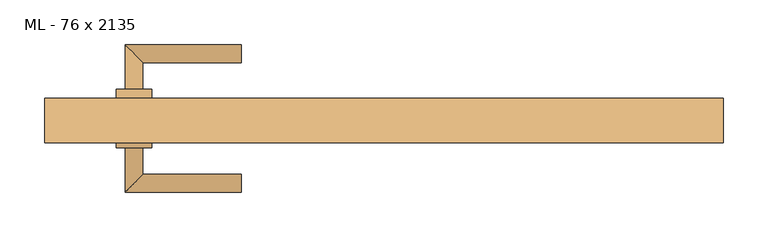
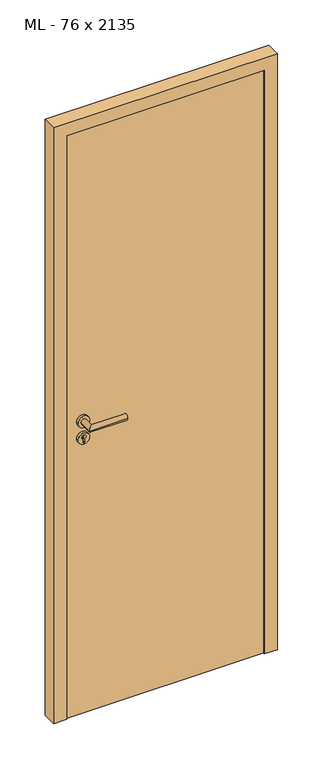
"""IFC4 building model written with IfcOpenShell, lengths in millimetres: door geometry, ML - 76 x 2135."""

from ifc_helpers import new_model, si_unit, point, frame, frame_2d, origin, origin_with_axes, place, context, project, spatial, polyline, circle_curve, ellipse_curve, trimmed, segment, composite_curve, outline, extrude, faceted_brep, source, transform, mapped, element, save
from ifc_brep_helpers import plane_surface, cylinder_surface, advanced_brep


def ml_76_x_2135_d598739a(model_context):
    return source(origin(), model_context, "Body", "SolidModel", [
        extrude(outline(polyline([(346.0, 25.0), (346.0, -20.0), (-346.0, -20.0), (-346.0, 25.0), (346.0, 25.0)])), origin_with_axes(), (0.0, 0.0, 1.0), 2101.0),
        advanced_brep(
        [(-270.0, 35.0, 1050.0), (-290.0, 35.0, 1050.0), (-270.0, 65.0, 1050.0), (-290.0, 85.0, 1050.0), (-160.0, 65.0, 1050.0), (-160.0, 85.0, 1050.0)],
        [
            (0, 1, circle_curve(frame((-280.0, 35.0, 1050.0), z_axis=(0.0, -1.0, 0.0), x_axis=(-1.0, 0.0, 0.0)), 10.0)),
            (1, 0, circle_curve(frame((-280.0, 35.0, 1050.0), z_axis=(0.0, -1.0, 0.0), x_axis=(-1.0, 0.0, 0.0)), 10.0)),
            (0, 2),
            (2, 3, ellipse_curve(frame((-280.0, 75.0, 1050.0), z_axis=(-0.7071067811865531, -0.7071067811865419, 0.0), x_axis=(0.707106781186542, -0.707106781186553, 0.0)), 14.1421356, 10.0)),
            (3, 1),
            (3, 2, ellipse_curve(frame((-280.0, 75.0, 1050.0), z_axis=(-0.7071067811865531, -0.7071067811865419, 0.0), x_axis=(0.707106781186542, -0.707106781186553, 0.0)), 14.1421356, 10.0)),
            (4, 5, circle_curve(frame((-160.0, 75.0, 1050.0), z_axis=(1.0, 0.0, 0.0), x_axis=(0.0, 1.0, 0.0)), 10.0)),
            (5, 4, circle_curve(frame((-160.0, 75.0, 1050.0), z_axis=(1.0, 0.0, 0.0), x_axis=(0.0, 1.0, 0.0)), 10.0)),
            (2, 4),
            (5, 3),
        ],
        [
            plane_surface(frame((-280.0, 35.0, 1050.0), z_axis=(0.0, -1.0, 0.0), x_axis=(0.0, 0.0, 1.0))),
            cylinder_surface(frame((-280.0, 35.0, 1050.0), z_axis=(0.0, -1.0, 0.0), x_axis=(-1.0, 0.0, 0.0)), 10.0),
            plane_surface(frame((-160.0, 75.0, 1050.0), z_axis=(1.0, 0.0, 0.0), x_axis=(0.0, 0.0, 1.0))),
            cylinder_surface(frame((-280.0, 75.0, 1050.0), z_axis=(-1.0, 0.0, 0.0), x_axis=(0.0, 1.0, 0.0)), 10.0),
        ],
        [
            (0, [[1, 2]]),
            (1, [[-1, 3, 4, 5]]),
            (1, [[-2, -5, 6, -3]]),
            (2, [[7, 8]]),
            (3, [[-4, 9, -8, 10]]),
            (3, [[-6, -10, -7, -9]]),
        ],
    ),
        extrude(outline(composite_curve([segment(trimmed(circle_curve(frame_2d((990.0, -280.0)), 20.0), [point((990.0, -300.0))], [point((990.0, -260.0))], False, "CARTESIAN"), True, "CONTINUOUS"), segment(trimmed(circle_curve(frame_2d((990.0, -280.0)), 20.0), [point((990.0, -260.0))], [point((990.0, -300.0))], False, "CARTESIAN"), True, "CONTINUOUS")], self_intersect=False), holes=[composite_curve([segment(polyline([(976.4601385, -282.397268), (988.4749012, -282.397268)]), True, "CONTINUOUS"), segment(trimmed(circle_curve(frame_2d((995.0361633, -280.0)), 6.9854888), [point((988.4749012, -282.397268))], [point((988.4749012, -277.602732))], True, "CARTESIAN"), True, "CONTINUOUS"), segment(polyline([(988.4749012, -277.602732), (976.4601385, -277.602732)]), True, "CONTINUOUS"), segment(trimmed(circle_curve(frame_2d((976.4601385, -280.0)), 2.397268), [point((976.4601385, -277.602732))], [point((976.4601385, -282.397268))], True, "CARTESIAN"), True, "CONTINUOUS")], self_intersect=False)]), frame((0.0, 25.0, 0.0), z_axis=(0.0, 1.0, 0.0), x_axis=(0.0, 0.0, 1.0)), (0.0, 0.0, 1.0), 10.0),
        advanced_brep(
        [(-270.0, 35.0, 1050.0), (-290.0, 35.0, 1050.0), (-270.0, 65.0, 1050.0), (-290.0, 85.0, 1050.0), (-160.0, 65.0, 1050.0), (-160.0, 85.0, 1050.0)],
        [
            (0, 1, circle_curve(frame((-280.0, 35.0, 1050.0), z_axis=(0.0, -1.0, 0.0), x_axis=(-1.0, 0.0, 0.0)), 10.0)),
            (1, 0, circle_curve(frame((-280.0, 35.0, 1050.0), z_axis=(0.0, -1.0, 0.0), x_axis=(-1.0, 0.0, 0.0)), 10.0)),
            (0, 2),
            (2, 3, ellipse_curve(frame((-280.0, 75.0, 1050.0), z_axis=(-0.7071067811865537, -0.7071067811865414, 0.0), x_axis=(0.7071067811865414, -0.7071067811865536, 0.0)), 14.1421356, 10.0)),
            (3, 1),
            (3, 2, ellipse_curve(frame((-280.0, 75.0, 1050.0), z_axis=(-0.7071067811865537, -0.7071067811865414, 0.0), x_axis=(0.7071067811865414, -0.7071067811865536, 0.0)), 14.1421356, 10.0)),
            (4, 5, circle_curve(frame((-160.0, 75.0, 1050.0), z_axis=(1.0, 0.0, 0.0), x_axis=(0.0, 1.0, 0.0)), 10.0)),
            (5, 4, circle_curve(frame((-160.0, 75.0, 1050.0), z_axis=(1.0, 0.0, 0.0), x_axis=(0.0, 1.0, 0.0)), 10.0)),
            (2, 4),
            (5, 3),
        ],
        [
            plane_surface(frame((-280.0, 35.0, 1050.0), z_axis=(0.0, -1.0, 0.0), x_axis=(0.0, 0.0, 1.0))),
            cylinder_surface(frame((-280.0, 35.0, 1050.0), z_axis=(0.0, -1.0, 0.0), x_axis=(-1.0, 0.0, 0.0)), 10.0),
            plane_surface(frame((-160.0, 75.0, 1050.0), z_axis=(1.0, 0.0, 0.0), x_axis=(0.0, 0.0, 1.0))),
            cylinder_surface(frame((-280.0, 75.0, 1050.0), z_axis=(-1.0, 0.0, 0.0), x_axis=(0.0, 1.0, 0.0)), 10.0),
        ],
        [
            (0, [[1, 2]]),
            (1, [[-1, 3, 4, 5]]),
            (1, [[-2, -5, 6, -3]]),
            (2, [[7, 8]]),
            (3, [[-4, 9, -8, 10]]),
            (3, [[-6, -10, -7, -9]]),
        ],
    ),
        extrude(outline(composite_curve([segment(trimmed(circle_curve(frame_2d((1050.0, -280.0)), 20.0), [point((1050.0, -300.0))], [point((1050.0, -260.0))], False, "CARTESIAN"), True, "CONTINUOUS"), segment(trimmed(circle_curve(frame_2d((1050.0, -280.0)), 20.0), [point((1050.0, -260.0))], [point((1050.0, -300.0))], False, "CARTESIAN"), True, "CONTINUOUS")], self_intersect=False)), frame((0.0, 25.0, 0.0), z_axis=(0.0, 1.0, 0.0), x_axis=(0.0, 0.0, 1.0)), (0.0, 0.0, 1.0), 10.0),
        advanced_brep(
        [(-270.0, -30.0, 1050.0), (-290.0, -30.0, 1050.0), (-290.0, -80.0, 1050.0), (-270.0, -60.0, 1050.0), (-160.0, -60.0, 1050.0), (-160.0, -80.0, 1050.0)],
        [
            (0, 1, circle_curve(frame((-280.0, -30.0, 1050.0), z_axis=(0.0, 1.0, 0.0), x_axis=(-1.0, 0.0, 0.0)), 10.0)),
            (1, 0, circle_curve(frame((-280.0, -30.0, 1050.0), z_axis=(0.0, 1.0, 0.0), x_axis=(-1.0, 0.0, 0.0)), 10.0)),
            (1, 2),
            (2, 3, ellipse_curve(frame((-280.0, -70.0, 1050.0), z_axis=(-0.7071067811865486, 0.7071067811865464, 0.0), x_axis=(0.7071067811865464, 0.7071067811865488, 0.0)), 14.1421356, 10.0)),
            (3, 0),
            (3, 2, ellipse_curve(frame((-280.0, -70.0, 1050.0), z_axis=(-0.7071067811865486, 0.7071067811865464, 0.0), x_axis=(0.7071067811865464, 0.7071067811865488, 0.0)), 14.1421356, 10.0)),
            (4, 5, circle_curve(frame((-160.0, -70.0, 1050.0), z_axis=(1.0, 0.0, 0.0), x_axis=(0.0, -1.0, 0.0)), 10.0)),
            (5, 4, circle_curve(frame((-160.0, -70.0, 1050.0), z_axis=(1.0, 0.0, 0.0), x_axis=(0.0, -1.0, 0.0)), 10.0)),
            (2, 5),
            (4, 3),
        ],
        [
            plane_surface(frame((-280.0, -30.0, 1050.0), z_axis=(0.0, 1.0, 0.0), x_axis=(0.0, 0.0, 1.0))),
            cylinder_surface(frame((-280.0, -30.0, 1050.0), z_axis=(0.0, 1.0, 0.0), x_axis=(-1.0, 0.0, 0.0)), 10.0),
            plane_surface(frame((-160.0, -70.0, 1050.0), z_axis=(1.0, 0.0, 0.0), x_axis=(0.0, 0.0, 1.0))),
            cylinder_surface(frame((-280.0, -70.0, 1050.0), z_axis=(-1.0, 0.0, 0.0), x_axis=(0.0, -1.0, 0.0)), 10.0),
        ],
        [
            (0, [[1, 2]]),
            (1, [[3, 4, 5, -2]]),
            (1, [[-5, 6, -3, -1]]),
            (2, [[7, 8]]),
            (3, [[9, -7, 10, -4]]),
            (3, [[-10, -8, -9, -6]]),
        ],
    ),
        extrude(outline(composite_curve([segment(trimmed(circle_curve(frame_2d((990.0, -280.0)), 20.0), [point((990.0, -300.0))], [point((990.0, -260.0))], False, "CARTESIAN"), True, "CONTINUOUS"), segment(trimmed(circle_curve(frame_2d((990.0, -280.0)), 20.0), [point((990.0, -260.0))], [point((990.0, -300.0))], False, "CARTESIAN"), True, "CONTINUOUS")], self_intersect=False), holes=[composite_curve([segment(polyline([(976.4601385, -282.397268), (988.4749012, -282.397268)]), True, "CONTINUOUS"), segment(trimmed(circle_curve(frame_2d((995.0361633, -280.0)), 6.9854888), [point((988.4749012, -282.397268))], [point((988.4749012, -277.602732))], True, "CARTESIAN"), True, "CONTINUOUS"), segment(polyline([(988.4749012, -277.602732), (976.4601385, -277.602732)]), True, "CONTINUOUS"), segment(trimmed(circle_curve(frame_2d((976.4601385, -280.0)), 2.397268), [point((976.4601385, -277.602732))], [point((976.4601385, -282.397268))], True, "CARTESIAN"), True, "CONTINUOUS")], self_intersect=False)]), frame((0.0, -30.0, 0.0), z_axis=(0.0, 1.0, 0.0), x_axis=(0.0, 0.0, 1.0)), (0.0, 0.0, 1.0), 10.0),
        advanced_brep(
        [(-270.0, -30.0, 1050.0), (-290.0, -30.0, 1050.0), (-290.0, -80.0, 1050.0), (-270.0, -60.0, 1050.0), (-160.0, -60.0, 1050.0), (-160.0, -80.0, 1050.0)],
        [
            (0, 1, circle_curve(frame((-280.0, -30.0, 1050.0), z_axis=(0.0, 1.0, 0.0), x_axis=(-1.0, 0.0, 0.0)), 10.0)),
            (1, 0, circle_curve(frame((-280.0, -30.0, 1050.0), z_axis=(0.0, 1.0, 0.0), x_axis=(-1.0, 0.0, 0.0)), 10.0)),
            (1, 2),
            (2, 3, ellipse_curve(frame((-280.0, -70.0, 1050.0), z_axis=(-0.7071067811865491, 0.7071067811865459, 0.0), x_axis=(0.7071067811865458, 0.7071067811865492, 0.0)), 14.1421356, 10.0)),
            (3, 0),
            (3, 2, ellipse_curve(frame((-280.0, -70.0, 1050.0), z_axis=(-0.7071067811865491, 0.7071067811865459, 0.0), x_axis=(0.7071067811865458, 0.7071067811865492, 0.0)), 14.1421356, 10.0)),
            (4, 5, circle_curve(frame((-160.0, -70.0, 1050.0), z_axis=(1.0, 0.0, 0.0), x_axis=(0.0, -1.0, 0.0)), 10.0)),
            (5, 4, circle_curve(frame((-160.0, -70.0, 1050.0), z_axis=(1.0, 0.0, 0.0), x_axis=(0.0, -1.0, 0.0)), 10.0)),
            (2, 5),
            (4, 3),
        ],
        [
            plane_surface(frame((-280.0, -30.0, 1050.0), z_axis=(0.0, 1.0, 0.0), x_axis=(0.0, 0.0, 1.0))),
            cylinder_surface(frame((-280.0, -30.0, 1050.0), z_axis=(0.0, 1.0, 0.0), x_axis=(-1.0, 0.0, 0.0)), 10.0),
            plane_surface(frame((-160.0, -70.0, 1050.0), z_axis=(1.0, 0.0, 0.0), x_axis=(0.0, 0.0, 1.0))),
            cylinder_surface(frame((-280.0, -70.0, 1050.0), z_axis=(-1.0, 0.0, 0.0), x_axis=(0.0, -1.0, 0.0)), 10.0),
        ],
        [
            (0, [[1, 2]]),
            (1, [[3, 4, 5, -2]]),
            (1, [[-5, 6, -3, -1]]),
            (2, [[7, 8]]),
            (3, [[9, -7, 10, -4]]),
            (3, [[-10, -8, -9, -6]]),
        ],
    ),
        extrude(outline(composite_curve([segment(trimmed(circle_curve(frame_2d((1050.0, -280.0)), 20.0), [point((1050.0, -300.0))], [point((1050.0, -260.0))], False, "CARTESIAN"), True, "CONTINUOUS"), segment(trimmed(circle_curve(frame_2d((1050.0, -280.0)), 20.0), [point((1050.0, -260.0))], [point((1050.0, -300.0))], False, "CARTESIAN"), True, "CONTINUOUS")], self_intersect=False)), frame((0.0, -30.0, 0.0), z_axis=(0.0, 1.0, 0.0), x_axis=(0.0, 0.0, 1.0)), (0.0, 0.0, 1.0), 10.0),
        faceted_brep([(-350.0, 25.0, 0.0), (-350.0, -20.0, 0.0), (-335.0, -20.0, 0.0), (-335.0, -25.0, 0.0), (-380.0, -25.0, 0.0), (-380.0, 25.0, 0.0), (-350.0, 25.0, 2105.0), (-350.0, -20.0, 2105.0), (350.0, -20.0, 2105.0), (350.0, -20.0, 0.0), (335.0, -20.0, 0.0), (335.0, -20.0, 2090.0), (-335.0, -20.0, 2090.0), (-335.0, -25.0, 2090.0), (335.0, -25.0, 2090.0), (335.0, -25.0, 0.0), (380.0, -25.0, 0.0), (380.0, -25.0, 2135.0), (-380.0, -25.0, 2135.0), (-380.0, 25.0, 2135.0), (380.0, 25.0, 2135.0), (380.0, 25.0, 0.0), (350.0, 25.0, 0.0), (350.0, 25.0, 2105.0)], [[[0, 1, 2, 3, 4, 5]], [[1, 0, 6, 7]], [[2, 1, 7, 8, 9, 10, 11, 12]], [[3, 2, 12, 13]], [[4, 3, 13, 14, 15, 16, 17, 18]], [[5, 4, 18, 19]], [[0, 5, 19, 20, 21, 22, 23, 6]], [[20, 17, 16, 21]], [[22, 21, 16, 15, 10, 9]], [[8, 23, 22, 9]], [[14, 11, 10, 15]], [[19, 18, 17, 20]], [[13, 12, 11, 14]], [[7, 6, 23, 8]]]),
    ])


if __name__ == "__main__":
    model = new_model("IFC4")
    model_context = context("Model", 3, world=origin())
    ifc_project = project(units=[si_unit("LENGTHUNIT", "METRE", prefix="MILLI")], contexts=[model_context])
    site = spatial("IfcSite", under=ifc_project)
    building = spatial("IfcBuilding", under=site)
    placement = place(None, origin())
    ml_76_x_2135_shape = ml_76_x_2135_d598739a(model_context)
    element("IfcDoor", 1, ObjectType="ML - 76 x 2135", at=placement, inside=building, context=model_context, shape_type="MappedRepresentation", body=[
        mapped(ml_76_x_2135_shape, transform((0.0, 0.0, 0.0), x_axis=(1.0, 0.0, 0.0), y_axis=(0.0, 1.0, 0.0), z_axis=(0.0, 0.0, 1.0))),
    ])
    save(model, "model.ifc")
